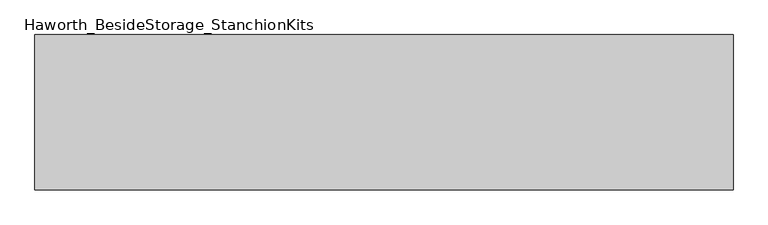
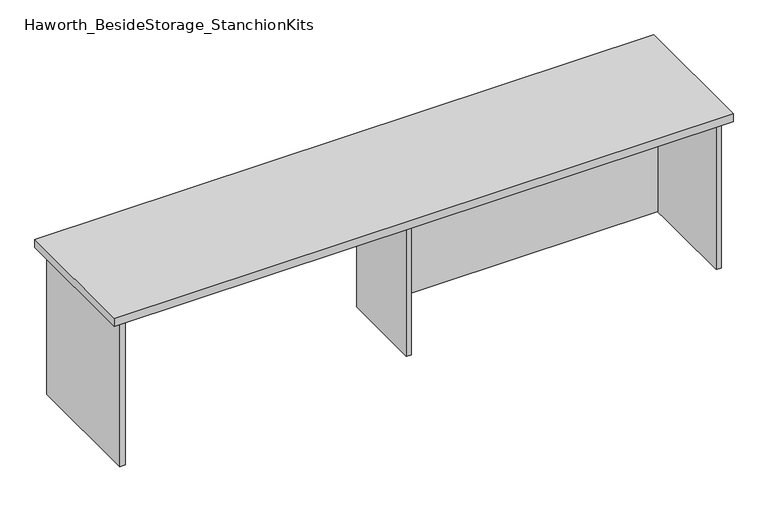
"""IFC4 building model written with IfcOpenShell, lengths in millimetres: furniture geometry, Haworth_BesideStorage_StanchionKits."""

from ifc_helpers import new_model, si_unit, frame, origin, place, context, project, spatial, polyline, outline, extrude, source, transform, mapped, element, save


def haworth_besidestorage_stanchionkits_f98d77c8(model_context):
    return source(origin(), model_context, "Body", "SweptSolid", [
        extrude(outline(polyline([(1076.325, 0.0), (1076.325, -406.4), (-752.475, -406.4), (-752.475, 0.0), (1076.325, 0.0)])), frame((0.0, 0.0, 889.0), z_axis=(0.0, 0.0, 1.0), x_axis=(1.0, 0.0, 0.0)), (0.0, 0.0, 1.0), 25.4),
        extrude(outline(polyline([(169.8625, -76.2), (1035.05, -76.2), (1035.05, -92.075), (169.8625, -92.075), (169.8625, -76.2)])), frame((0.0, 0.0, 431.8), z_axis=(0.0, 0.0, 1.0), x_axis=(1.0, 0.0, 0.0)), (0.0, 0.0, 1.0), 457.2),
        extrude(outline(polyline([(169.8625, -330.2), (153.9875, -330.2), (153.9875, -76.2), (169.8625, -76.2), (169.8625, -330.2)])), frame((0.0, 0.0, 431.8), z_axis=(0.0, 0.0, 1.0), x_axis=(1.0, 0.0, 0.0)), (0.0, 0.0, 1.0), 457.2),
        extrude(outline(polyline([(1050.925, -390.525), (1035.05, -390.525), (1035.05, -15.875), (1050.925, -15.875), (1050.925, -390.525)])), frame((0.0, 0.0, 431.8), z_axis=(0.0, 0.0, 1.0), x_axis=(1.0, 0.0, 0.0)), (0.0, 0.0, 1.0), 457.2),
        extrude(outline(polyline([(-711.2, -390.525), (-727.075, -390.525), (-727.075, -15.875), (-711.2, -15.875), (-711.2, -390.525)])), frame((0.0, 0.0, 431.8), z_axis=(0.0, 0.0, 1.0), x_axis=(1.0, 0.0, 0.0)), (0.0, 0.0, 1.0), 457.2),
    ])


if __name__ == "__main__":
    model = new_model("IFC4")
    model_context = context("Model", 3, world=origin())
    ifc_project = project(units=[si_unit("LENGTHUNIT", "METRE", prefix="MILLI")], contexts=[model_context])
    site = spatial("IfcSite", under=ifc_project)
    building = spatial("IfcBuilding", under=site)
    placement = place(None, origin())
    haworth_besidestorage_stanchionkits_shape = haworth_besidestorage_stanchionkits_f98d77c8(model_context)
    element("IfcFurniture", 1, ObjectType="Haworth_BesideStorage_StanchionKits", at=placement, inside=building, context=model_context, shape_type="MappedRepresentation", body=[
        mapped(haworth_besidestorage_stanchionkits_shape, transform((0.0, 0.0, 0.0), x_axis=(1.0, 0.0, 0.0), y_axis=(0.0, 1.0, 0.0), z_axis=(0.0, 0.0, 1.0))),
    ])
    save(model, "model.ifc")
